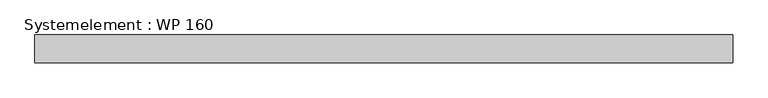
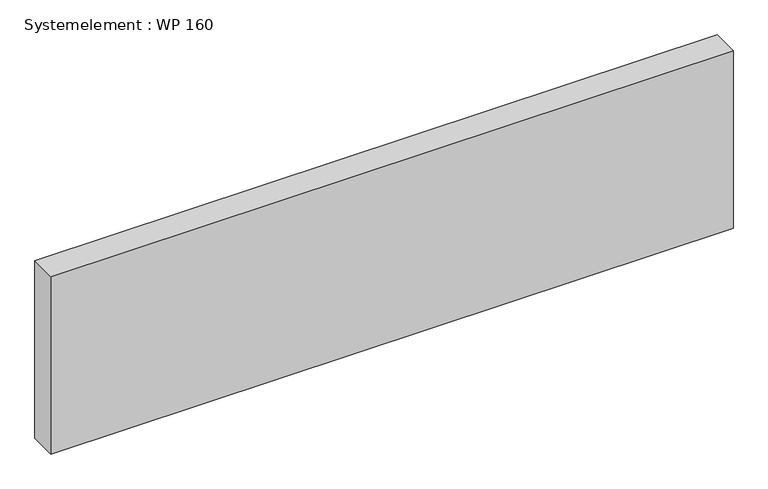
"""IFC4 building model written with IfcOpenShell, lengths in millimetres: plate geometry, Systemelement : WP 160."""

from ifc_helpers import new_model, si_unit, origin, origin_with_axes, place, context, project, spatial, polyline, outline, extrude, source, transform, mapped, element, save


def systemelement_wp_160_f76abac0(model_context):
    return source(origin(), model_context, "Body", "SweptSolid", [
        extrude(outline(polyline([(2000.0, -160.0), (-2000.0, -160.0), (-2000.0, 0.0), (2000.0, 0.0), (2000.0, -160.0)])), origin_with_axes(), (0.0, 0.0, 1.0), 1100.0),
    ])


if __name__ == "__main__":
    model = new_model("IFC4")
    model_context = context("Model", 3, world=origin())
    ifc_project = project(units=[si_unit("LENGTHUNIT", "METRE", prefix="MILLI")], contexts=[model_context])
    site = spatial("IfcSite", under=ifc_project)
    building = spatial("IfcBuilding", under=site)
    placement = place(None, origin())
    systemelement_wp_160_shape = systemelement_wp_160_f76abac0(model_context)
    element("IfcPlate", 1, ObjectType="Systemelement : WP 160", at=placement, inside=building, context=model_context, shape_type="MappedRepresentation", body=[
        mapped(systemelement_wp_160_shape, transform((0.0, 0.0, 0.0), x_axis=(1.0, 0.0, 0.0), y_axis=(0.0, 1.0, 0.0), z_axis=(0.0, 0.0, 1.0))),
    ])
    save(model, "model.ifc")
